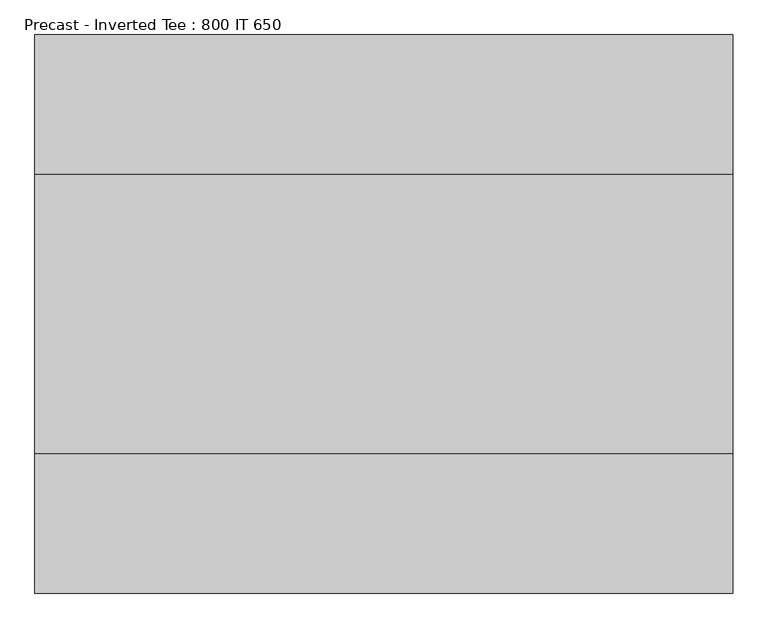
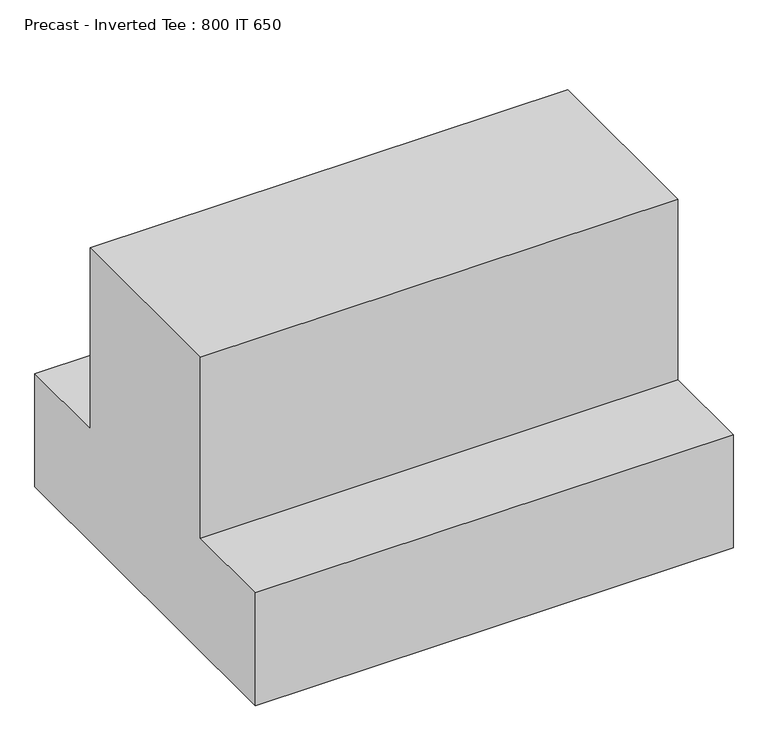
"""IFC4 building model written with IfcOpenShell, lengths in millimetres: beam geometry, Precast - Inverted Tee : 800 IT 650."""

from ifc_helpers import new_model, si_unit, frame, origin, place, context, project, spatial, polyline, outline, extrude, source, transform, mapped, element, save


def precast_inverted_tee_800_it_650_b0869eff(model_context):
    return source(origin(), model_context, "Body", "SweptSolid", [
        extrude(outline(polyline([(400.0, -325.0), (-400.0, -325.0), (-400.0, -75.0), (-200.0, -75.0), (-200.0, 325.0), (200.0, 325.0), (200.0, -75.0), (400.0, -75.0), (400.0, -325.0)])), frame((-500.0, 0.0, 0.0), z_axis=(1.0, 0.0, 0.0), x_axis=(0.0, 1.0, 0.0)), (0.0, 0.0, 1.0), 1000.0),
    ])


if __name__ == "__main__":
    model = new_model("IFC4")
    model_context = context("Model", 3, world=origin())
    ifc_project = project(units=[si_unit("LENGTHUNIT", "METRE", prefix="MILLI")], contexts=[model_context])
    site = spatial("IfcSite", under=ifc_project)
    building = spatial("IfcBuilding", under=site)
    placement = place(None, origin())
    precast_inverted_tee_800_it_650_shape = precast_inverted_tee_800_it_650_b0869eff(model_context)
    element("IfcBeam", 1, ObjectType="Precast - Inverted Tee : 800 IT 650", at=placement, inside=building, context=model_context, shape_type="MappedRepresentation", body=[
        mapped(precast_inverted_tee_800_it_650_shape, transform((0.0, 0.0, 0.0), x_axis=(1.0, 0.0, 0.0), y_axis=(0.0, 1.0, 0.0), z_axis=(0.0, 0.0, 1.0))),
    ])
    save(model, "model.ifc")
